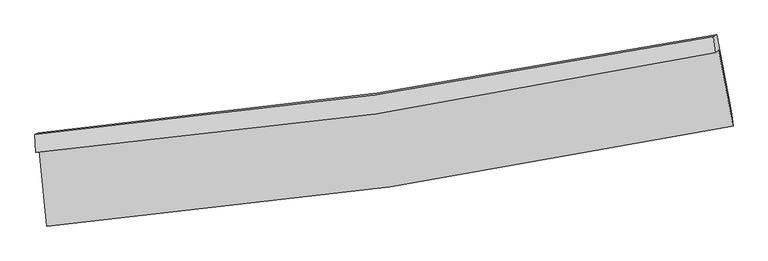
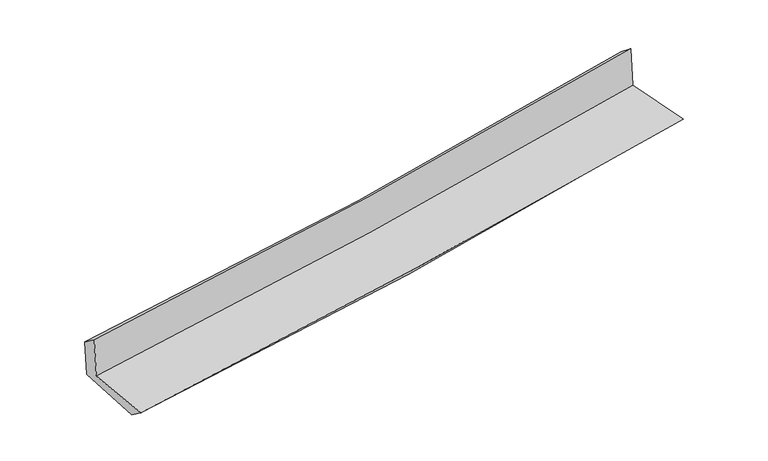
"""IFC4 building model written with IfcOpenShell, lengths in millimetres: proxy geometry."""

import ifcopenshell
import ifcopenshell.guid

model = None  # the IFC model being written
_history = None  # IfcOwnerHistory: only IFC2X3 demands one
_inside = {}  # id of a spatial element -> (the spatial element, [elements in it])
_under = {}  # id of a project, library or spatial element -> (it, [spatial elements below it])
_declared = {}  # id of a project -> (the project, [libraries it declares])
_typed = {}  # id of a type object -> (the type object, [elements of that type])
_made_of = {}  # id of a material, layer set ... -> (it, [elements and type objects made of it])


def new_model(schema):
    """Start an empty IFC model of exactly this schema.

    Asked for "IFC4X3", IfcOpenShell would pick the latest addendum, in which some entities
    have other attributes; the version numbers below select the first issue.
    IFC2X3 requires an IfcOwnerHistory on every rooted entity: one is made here for all.
    """
    global model, _history
    if schema == "IFC4X3":
        model = ifcopenshell.file(schema_version=(4, 3, 0, 0))
    else:
        model = ifcopenshell.file(schema=schema)
    _inside.clear()
    _under.clear()
    _declared.clear()
    _typed.clear()
    _made_of.clear()
    _history = None
    if model.schema == "IFC2X3":
        org = make("IfcOrganization", Name="unknown")
        user = make(
            "IfcPersonAndOrganization",
            ThePerson=make("IfcPerson", FamilyName="unknown"),
            TheOrganization=org,
        )
        app = make(
            "IfcApplication",
            ApplicationDeveloper=org,
            Version="unknown",
            ApplicationFullName="unknown",
            ApplicationIdentifier="unknown",
        )
        _history = make(
            "IfcOwnerHistory",
            OwningUser=user,
            OwningApplication=app,
            ChangeAction="ADDED",
            CreationDate=0,
        )
    return model


def make(cls, **values):
    """One entity of the class cls with the attributes given. An attribute that is None is left unset."""
    return model.create_entity(
        cls, **{name: value for name, value in values.items() if value is not None}
    )


def rooted(cls, **values):
    """An entity with a GlobalId (a new one), such as an element, a storey or a relation."""
    return make(cls, GlobalId=ifcopenshell.guid.new(), OwnerHistory=_history, **values)


def si_unit(unit_type, name, prefix=None):
    """IfcSIUnit, for example si_unit("LENGTHUNIT", "METRE", prefix="MILLI")."""
    return make("IfcSIUnit", UnitType=unit_type, Prefix=prefix, Name=name)


def assignment(units):
    """IfcUnitAssignment: the units of a project."""
    return None if units is None else make("IfcUnitAssignment", Units=units)


def point(xyz):
    """IfcCartesianPoint."""
    return None if xyz is None else make("IfcCartesianPoint", Coordinates=xyz)


def direction(xyz):
    """IfcDirection."""
    return None if xyz is None else make("IfcDirection", DirectionRatios=xyz)


def frame(location, z_axis=None, x_axis=None):
    """IfcAxis2Placement3D, a coordinate frame: its origin and axes. An axis left out is left unset."""
    return make(
        "IfcAxis2Placement3D",
        Location=point(location),
        Axis=direction(z_axis),
        RefDirection=direction(x_axis),
    )


def origin():
    """The frame at (0, 0, 0) with its axes left unset."""
    return frame((0.0, 0.0, 0.0))


def place(relative_to, where):
    """IfcLocalPlacement: puts the frame where relative to a parent placement (None: the world)."""
    return make(
        "IfcLocalPlacement", PlacementRelTo=relative_to, RelativePlacement=where
    )


def context(
    kind, dimensions, precision=None, world=None, true_north=None, identifier=None
):
    """IfcGeometricRepresentationContext, for example the 3D "Model" context."""
    return make(
        "IfcGeometricRepresentationContext",
        ContextIdentifier=identifier,
        ContextType=kind,
        CoordinateSpaceDimension=dimensions,
        Precision=precision,
        WorldCoordinateSystem=world,
        TrueNorth=true_north,
    )


def project(units=None, contexts=None):
    """IfcProject with its units and contexts."""
    return rooted(
        "IfcProject",
        Name="project",
        RepresentationContexts=contexts,
        UnitsInContext=assignment(units),
    )


def spatial(cls, under=None, at=None, **own):
    """A site, building, storey or space (cls), placed at a placement, below another one or the project."""
    s = rooted(cls, ObjectPlacement=at, **own)
    if under is not None:
        _under.setdefault(under.id(), (under, []))[1].append(s)
    return s


def shape(context_of_items, identifier, shape_type, items):
    """IfcShapeRepresentation: the items that make up one representation, for example the "Body"."""
    return make(
        "IfcShapeRepresentation",
        ContextOfItems=context_of_items,
        RepresentationIdentifier=identifier,
        RepresentationType=shape_type,
        Items=items,
    )


def source(mapping_origin, context_of_items, identifier, shape_type, items):
    """IfcRepresentationMap: a shape defined once, which mapped items show again and again."""
    return make(
        "IfcRepresentationMap",
        MappingOrigin=mapping_origin,
        MappedRepresentation=shape(context_of_items, identifier, shape_type, items),
    )


def transform(
    local_origin,
    x_axis=None,
    y_axis=None,
    z_axis=None,
    scale=None,
    scale2=None,
    scale3=None,
    uniform=True,
):
    """IfcCartesianTransformationOperator3D, or its non-uniform kind. x_axis, y_axis, z_axis: its Axis1, 2, 3."""
    if uniform:
        return make(
            "IfcCartesianTransformationOperator3D",
            Axis1=direction(x_axis),
            Axis2=direction(y_axis),
            LocalOrigin=point(local_origin),
            Scale=scale,
            Axis3=direction(z_axis),
        )
    return make(
        "IfcCartesianTransformationOperator3DnonUniform",
        Axis1=direction(x_axis),
        Axis2=direction(y_axis),
        LocalOrigin=point(local_origin),
        Scale=scale,
        Axis3=direction(z_axis),
        Scale2=scale2,
        Scale3=scale3,
    )


def mapped(mapping_source, mapping_target):
    """IfcMappedItem: shows the shape of a source again, moved by a transform."""
    return make(
        "IfcMappedItem", MappingSource=mapping_source, MappingTarget=mapping_target
    )


def made_of(thing, what):
    """Note that an element or type object is made of a material, layer set ...; save() writes the relation."""
    if what is not None:
        _made_of.setdefault(what.id(), (what, []))[1].append(thing)
    return thing


def element(
    cls,
    number,
    at=None,
    inside=None,
    cuts=None,
    type_object=None,
    material=None,
    context=None,
    identifier="Body",
    shape_type=None,
    held_by="IfcProductDefinitionShape",
    body=None,
    shapes=None,
    **own,
):
    """One element of the class cls, such as IfcWall. Its Tag is "e" and its number.

    at: its placement. inside: the storey or other place that contains it. cuts: it is an
    opening in that element (IfcRelVoidsElement). A single representation is given by context,
    identifier, shape_type and body (its items); several are given by shapes. held_by: the class
    of the entity that holds the representations. save() writes the other relations.
    """
    e = rooted(cls, Tag="e%d" % number, ObjectPlacement=at, **own)
    if body is not None:
        shapes = [shape(context, identifier, shape_type, body)]
    if shapes is not None:
        e.Representation = make(held_by, Representations=shapes)
    if inside is not None:
        _inside.setdefault(inside.id(), (inside, []))[1].append(e)
    if cuts is not None:
        rooted(
            "IfcRelVoidsElement", RelatingBuildingElement=cuts, RelatedOpeningElement=e
        )
    if type_object is not None:
        _typed.setdefault(type_object.id(), (type_object, []))[1].append(e)
    return made_of(e, material)


def aggregate(whole, parts):
    """IfcRelAggregates: a whole, such as a stair, and the parts it consists of."""
    return rooted("IfcRelAggregates", RelatingObject=whole, RelatedObjects=parts)


def save(model, path):
    """Write the relations noted so far, then the file.

    IfcRelAggregates (storeys below a building ...), IfcRelContainedInSpatialStructure (elements
    in a storey), IfcRelDefinesByType, IfcRelAssociatesMaterial and IfcRelDeclares: one each for
    every whole, place, type object, material and project.
    """
    for whole, parts in _under.values():
        aggregate(whole, parts)
    for where, things in _inside.values():
        rooted(
            "IfcRelContainedInSpatialStructure",
            RelatedElements=things,
            RelatingStructure=where,
        )
    for kind, things in _typed.values():
        rooted("IfcRelDefinesByType", RelatedObjects=things, RelatingType=kind)
    for what, things in _made_of.values():
        rooted("IfcRelAssociatesMaterial", RelatedObjects=things, RelatingMaterial=what)
    for by, libraries in _declared.values():
        rooted("IfcRelDeclares", RelatingContext=by, RelatedDefinitions=libraries)
    model.write(path)


def plane_surface(at):
    """IfcPlane: the flat surface through the origin of the frame at, square to its z axis."""
    return make("IfcPlane", Position=at)


def spline_curve(degree, points, multiplicities, knots, weights=None):
    """IfcBSplineCurveWithKnots; with weights, IfcRationalBSplineCurveWithKnots."""
    own = dict(
        Degree=degree,
        ControlPointsList=[point(p) for p in points],
        CurveForm="UNSPECIFIED",
        ClosedCurve=False,
        SelfIntersect=False,
        KnotMultiplicities=multiplicities,
        Knots=knots,
        KnotSpec="UNSPECIFIED",
    )
    if weights is None:
        return make("IfcBSplineCurveWithKnots", **own)
    return make("IfcRationalBSplineCurveWithKnots", WeightsData=weights, **own)


def spline_surface(u_degree, v_degree, points, u_multiplicities, v_multiplicities, u_knots, v_knots, weights=None):
    """IfcBSplineSurfaceWithKnots; with weights, IfcRationalBSplineSurfaceWithKnots. points: one row for each step in u."""
    own = dict(
        UDegree=u_degree,
        VDegree=v_degree,
        ControlPointsList=[[point(p) for p in row] for row in points],
        SurfaceForm="UNSPECIFIED",
        UClosed=False,
        VClosed=False,
        SelfIntersect=False,
        UMultiplicities=u_multiplicities,
        VMultiplicities=v_multiplicities,
        UKnots=u_knots,
        VKnots=v_knots,
        KnotSpec="UNSPECIFIED",
    )
    if weights is None:
        return make("IfcBSplineSurfaceWithKnots", **own)
    return make("IfcRationalBSplineSurfaceWithKnots", WeightsData=weights, **own)


def advanced_brep(points, edges, surfaces, faces):
    """IfcAdvancedBrep: a solid bounded by faces that lie on surfaces and meet in shared edges.

    An edge is (start, end): straight between two places in points (the first is 0);
    or (start, end, curve); or (start, end, curve, False) where it runs against its curve.
    A face is (place in surfaces, loops), or (place, loops, False) where it looks against
    its surface's normal. A loop lists edges by number (the first is 1), with a minus sign
    where the edge is run from its end to its start. The first loop is the outer one.
    """
    corners = [point(p) for p in points]
    vertices = [make("IfcVertexPoint", VertexGeometry=c) for c in corners]
    made = []
    for start, end, *more in edges:
        made.append(
            make(
                "IfcEdgeCurve",
                EdgeStart=vertices[start],
                EdgeEnd=vertices[end],
                EdgeGeometry=more[0] if more else make("IfcPolyline", Points=[corners[start], corners[end]]),
                SameSense=more[1] if len(more) > 1 else True,
            )
        )
    hull = []
    for where, loops, *sense in faces:
        bounds = []
        for j, loop in enumerate(loops):
            ring = [make("IfcOrientedEdge", EdgeElement=made[abs(k) - 1], Orientation=k > 0) for k in loop]
            bounds.append(
                make(
                    "IfcFaceOuterBound" if j == 0 else "IfcFaceBound",
                    Bound=make("IfcEdgeLoop", EdgeList=ring),
                    Orientation=True,
                )
            )
        hull.append(make("IfcAdvancedFace", Bounds=bounds, FaceSurface=surfaces[where], SameSense=sense[0] if sense else True))
    return make("IfcAdvancedBrep", Outer=make("IfcClosedShell", CfsFaces=hull))


def generic_models_a60420ee(model_context):
    return source(origin(), model_context, "Body", "AdvancedBrep", [
        advanced_brep(
        [(-2966.4956558, -1900.3925883, 1624.3529938), (-2900.6633697, -2558.4913205, 1611.1704796), (3045.5985498, -1687.7622356, 2119.0963674), (2921.2699029, -1033.3126246, 2127.4922066), (-2997.995413, -1919.1830634, 2030.036678), (2889.613648, -1052.1256982, 2536.8150814), (-3004.198505, -1765.273488, 1921.2857614), (2872.8501599, -914.772808, 2430.1121432), (-2975.6367698, -1749.8426546, 1555.3641286), (2903.3301616, -898.3056071, 2039.6144409), (-2906.1340559, -2414.8309813, 1505.7769763), (3031.3950635, -1560.2350456, 2004.2066983)],
        [
            (0, 1),
            (1, 2, spline_curve(3, [(-2900.6633697, -2558.4913205, 1611.1704796), (-1907.330568666, -2477.346646664, 1724.561145523), (-917.063153574, -2364.620249775, 1823.475223758), (1065.072355159, -2074.87383449, 1993.011492919), (2056.892246857, -1897.357203165, 2063.406044005), (3045.5985498, -1687.7622356, 2119.0963674)], [4, 2, 4], [0.0, 9.813157215592627, 19.703167946241045])),
            (2, 3),
            (3, 0, spline_curve(3, [(2921.2699029, -1033.3126246, 2127.4922066), (1943.447559733, -1243.438905959, 2072.664706533), (961.961220309, -1420.913687645, 2003.101892074), (-1000.684022402, -1709.434856177, 1835.160700098), (-1981.786202651, -1820.986728726, 1737.010443513), (-2966.4956558, -1900.3925883, 1624.3529938)], [4, 2, 4], [0.0, 9.890010730648418, 19.703167946241045])),
            (4, 0),
            (3, 5),
            (5, 4, spline_curve(3, [(2889.613648, -1052.1256982, 2536.8150814), (1912.540019543, -1261.775310258, 2471.977510728), (931.439720751, -1439.010788995, 2397.123547154), (-1031.158970819, -1727.528099475, 2228.042346299), (-2012.595025892, -1839.311742036, 2133.970175654), (-2997.995413, -1919.1830634, 2030.036678)], [4, 2, 4], [0.0, 9.841673756788015, 19.60686961655034])),
            (6, 4),
            (5, 7),
            (7, 6, spline_curve(3, [(2872.8501599, -914.772808, 2430.1121432), (1897.430728146, -1109.162463028, 2344.870786519), (918.041213469, -1277.40721647, 2259.682724347), (-1041.036470261, -1560.502686848, 2090.074755399), (-2020.663176931, -1675.758160313, 2005.654023838), (-3004.198505, -1765.273488, 1921.2857614)], [4, 2, 4], [0.0, 9.829816610518291, 19.58324746378649])),
            (8, 6),
            (7, 9),
            (9, 8, spline_curve(3, [(2903.3301616, -898.3056071, 2039.6144409), (1927.474938988, -1092.930703511, 1959.956263951), (947.707273563, -1261.379757434, 1879.612916513), (-1012.008939729, -1544.820201889, 1718.185538496), (-1991.896917939, -1660.216830366, 1637.112115234), (-2975.6367698, -1749.8426546, 1555.3641286)], [4, 2, 4], [0.0, 9.81911645458668, 19.561930300932644])),
            (10, 8),
            (9, 11),
            (11, 10, spline_curve(3, [(3031.3950635, -1560.2350456, 2004.2066983), (2045.853220582, -1760.76775206, 1918.528016525), (1056.342809062, -1932.415989081, 1833.9953046), (-922.895002736, -2216.834133061, 1667.869805143), (-1912.560964141, -2330.051207998, 1586.259276285), (-2906.1340559, -2414.8309813, 1505.7769763)], [4, 2, 4], [0.0, 9.868374927828105, 19.660064468577534])),
            (1, 10),
            (11, 2),
        ],
        [
            spline_surface(3, 3, [[(-2966.4956558, -1900.3925883, 1624.3529938), (-1981.78620271, -1820.986728814, 1737.010443555), (-1000.684022467, -1709.434856047, 1835.160700007), (961.961220375, -1420.913687776, 2003.101892166), (1943.447559692, -1243.438906014, 2072.66470663), (2921.2699029, -1033.3126246, 2127.4922066)], [(-2944.551560435, -2119.758832349, 1619.958822407), (-1956.96765799, -2039.773368102, 1732.860677513), (-972.810399497, -1927.829987301, 1831.265541255), (996.33159866, -1638.900403363, 1999.738425772), (1981.262455376, -1461.411671734, 2069.578485728), (2962.712785213, -1251.462494942, 2124.693593551)], [(-2922.607465065, -2339.125076451, 1615.564650993), (-1932.149113265, -2258.560007443, 1728.71091145), (-944.936776571, -2146.225118514, 1827.370382474), (1030.701976901, -1856.88711891, 1996.37495935), (2019.077351021, -1679.384437426, 2066.492264773), (3004.155667487, -1469.612365258, 2121.894980449)], [(-2900.6633697, -2558.4913205, 1611.1704796), (-1907.330568545, -2477.346646731, 1724.561145408), (-917.063153601, -2364.620249768, 1823.475223721), (1065.072355186, -2074.873834498, 1993.011492956), (2056.892246705, -1897.357203146, 2063.406043871), (3045.5985498, -1687.7622356, 2119.0963674)]], [4, 4], [4, 2, 4], [0.0, 2.169598157191223], [0.0, 9.813157215592627, 19.703167946241045]),
            spline_surface(3, 3, [[(-2997.995413, -1919.1830634, 2030.036678), (-2012.595025731, -1839.311742167, 2133.970175506), (-1031.158970824, -1727.528099314, 2228.042346299), (931.439720756, -1439.010789157, 2397.123547154), (1912.54001954, -1261.775310292, 2471.977510795), (2889.613648, -1052.1256982, 2536.8150814)], [(-2987.495493939, -1912.919571706, 1894.80878326), (-2002.325418063, -1833.203404388, 2001.650264849), (-1021.000654712, -1721.497018238, 2097.081797516), (941.613553955, -1432.978422043, 2265.782995472), (1922.842532934, -1255.663175527, 2338.873242726), (2900.165732976, -1045.854673661, 2400.374123119)], [(-2976.995574861, -1906.656079994, 1759.58088854), (-1992.055810378, -1827.095066592, 1869.330354212), (-1010.842338578, -1715.465937123, 1966.121248791), (951.787387176, -1426.94605489, 2134.442443848), (1933.145046298, -1249.551040779, 2205.768974699), (2910.717817924, -1039.583649139, 2263.933164881)], [(-2966.4956558, -1900.3925883, 1624.3529938), (-1981.78620271, -1820.986728814, 1737.010443555), (-1000.684022467, -1709.434856047, 1835.160700007), (961.961220375, -1420.913687776, 2003.101892166), (1943.447559692, -1243.438906014, 2072.66470663), (2921.2699029, -1033.3126246, 2127.4922066)]], [4, 4], [4, 2, 4], [0.0, 1.2960997709780904], [0.0, 9.765195859762326, 19.60686961655034]),
            spline_surface(3, 3, [[(-3004.198505, -1765.273488, 1921.2857614), (-2020.663176918, -1675.758160325, 2005.654023844), (-1041.036470162, -1560.502687006, 2090.074755429), (918.041213368, -1277.407216311, 2259.682724318), (1897.430728223, -1109.162462995, 2344.87078663), (2872.8501599, -914.772808, 2430.1121432)], [(-3002.130807667, -1816.576679804, 1957.536066941), (-2017.973793189, -1730.276020943, 2048.426074406), (-1037.743970392, -1616.177824429, 2136.063952389), (922.507382488, -1331.275073914, 2305.496331934), (1902.467158638, -1160.033412106, 2387.239694691), (2878.437989242, -960.557104745, 2465.679789273)], [(-3000.063110333, -1867.879871596, 1993.786372459), (-2015.284409459, -1784.793881549, 2091.198124943), (-1034.451470593, -1671.852961891, 2182.053149338), (926.973551636, -1385.142931554, 2351.309939538), (1907.503589125, -1210.904361181, 2429.608602734), (2884.025818658, -1006.341401455, 2501.247435327)], [(-2997.995413, -1919.1830634, 2030.036678), (-2012.595025731, -1839.311742167, 2133.970175506), (-1031.158970824, -1727.528099314, 2228.042346299), (931.439720756, -1439.010789157, 2397.123547154), (1912.54001954, -1261.775310292, 2471.977510795), (2889.613648, -1052.1256982, 2536.8150814)]], [4, 4], [4, 2, 4], [0.0, 0.7043477279343163], [0.0, 9.753430853268197, 19.58324746378649]),
            spline_surface(3, 3, [[(-2975.6367698, -1749.8426546, 1555.3641286), (-1991.896918073, -1660.216830478, 1637.112115204), (-1012.00893975, -1544.820201852, 1718.185538471), (947.707273584, -1261.379757471, 1879.612916538), (1927.474939074, -1092.930703535, 1959.956264045), (2903.3301616, -898.3056071, 2039.6144409)], [(-2985.157348186, -1754.986265753, 1677.338006196), (-2001.485671007, -1665.39727378, 1759.95941808), (-1021.684783223, -1550.047696903, 1842.148610811), (937.818586843, -1266.722243751, 2006.302852485), (1917.460202155, -1098.341289994, 2088.261104925), (2893.170161065, -903.794674039, 2169.780341685)], [(-2994.677926614, -1760.129876847, 1799.311883804), (-2011.074423984, -1670.577717023, 1882.806720967), (-1031.360626689, -1555.275191955, 1966.111683089), (927.929900109, -1272.064730031, 2132.99278837), (1907.445465141, -1103.751876535, 2216.56594575), (2883.010160435, -909.283741061, 2299.946242415)], [(-3004.198505, -1765.273488, 1921.2857614), (-2020.663176918, -1675.758160325, 2005.654023844), (-1041.036470162, -1560.502687006, 2090.074755429), (918.041213368, -1277.407216311, 2259.682724318), (1897.430728223, -1109.162462995, 2344.87078663), (2872.8501599, -914.772808, 2430.1121432)]], [4, 4], [4, 2, 4], [0.0, 1.2384786793411209], [0.0, 9.742813846345964, 19.561930300932644]),
            spline_surface(3, 3, [[(-2906.1340559, -2414.8309813, 1505.7769763), (-1912.560964227, -2330.051207844, 1586.259276151), (-922.895002621, -2216.834133039, 1667.86980506), (1056.342808946, -1932.415989103, 1833.995304684), (2045.853220477, -1760.767751964, 1918.528016406), (3031.3950635, -1560.2350456, 2004.2066983)], [(-2929.301627209, -2193.168205729, 1522.30602707), (-1939.006282185, -2106.773082051, 1603.210222506), (-952.599648315, -1992.829489299, 1684.641716188), (1020.130963841, -1708.737245215, 1849.201175293), (2006.393793329, -1538.155402493, 1932.337432267), (2988.706762853, -1339.591899438, 2016.009279149)], [(-2952.469198491, -1971.505430171, 1538.83507783), (-1965.451600116, -1883.494956271, 1620.161168849), (-982.304294056, -1768.824845592, 1701.413627342), (983.919118689, -1485.058501359, 1864.407045929), (1966.934366221, -1315.543053006, 1946.146848183), (2946.018462247, -1118.948753262, 2027.811860051)], [(-2975.6367698, -1749.8426546, 1555.3641286), (-1991.896918073, -1660.216830478, 1637.112115204), (-1012.00893975, -1544.820201852, 1718.185538471), (947.707273584, -1261.379757471, 1879.612916538), (1927.474939074, -1092.930703535, 1959.956264045), (2903.3301616, -898.3056071, 2039.6144409)]], [4, 4], [4, 2, 4], [0.0, 2.232492728713953], [0.0, 9.791689540749429, 19.660064468577534]),
            spline_surface(3, 3, [[(-2900.6633697, -2558.4913205, 1611.1704796), (-1907.330568545, -2477.346646731, 1724.561145408), (-917.063153601, -2364.620249768, 1823.475223721), (1065.072355186, -2074.873834498, 1993.011492956), (2056.892246705, -1897.357203146, 2063.406043871), (3045.5985498, -1687.7622356, 2119.0963674)], [(-2902.486931764, -2510.60454076, 1576.039311825), (-1909.07403377, -2428.248167095, 1678.460522314), (-919.007103286, -2315.358210855, 1771.606750828), (1062.162506428, -2027.38788603, 1940.006096859), (2053.212571278, -1851.827386092, 2015.11336804), (3040.864054349, -1645.253172274, 2080.799811024)], [(-2904.310493836, -2462.71776104, 1540.908144075), (-1910.817499003, -2379.14968748, 1632.359899245), (-920.951052936, -2266.096171951, 1719.738277953), (1059.252657704, -1979.90193757, 1887.000700781), (2049.532895904, -1806.297569018, 1966.820692237), (3036.129558951, -1602.744108926, 2042.503254676)], [(-2906.1340559, -2414.8309813, 1505.7769763), (-1912.560964227, -2330.051207844, 1586.259276151), (-922.895002621, -2216.834133039, 1667.86980506), (1056.342808946, -1932.415989103, 1833.995304684), (2045.853220477, -1760.767751964, 1918.528016406), (3031.3950635, -1560.2350456, 2004.2066983)]], [4, 4], [4, 2, 4], [0.0, 0.702575898558095], [0.0, 9.850062110580994, 19.777266763575675]),
            plane_surface(frame((2944.009581, -1191.0856699, 2209.5561563), z_axis=(0.9791358962218482, 0.18493021690460565, 0.08422417470924845), x_axis=(-0.07774886914325889, -0.042004795740534534, 0.9960877022038473))),
            plane_surface(frame((-2958.5206282, -2051.3356827, 1707.9978362), z_axis=(-0.9918812257052034, -0.09758864177883037, -0.08153582702902078), x_axis=(-0.09951750543230836, 0.9948362427714181, 0.019927774109981092))),
        ],
        [
            (0, [[1, 2, 3, 4]]),
            (1, [[5, -4, 6, 7]]),
            (2, [[8, -7, 9, 10]]),
            (3, [[11, -10, 12, 13]]),
            (4, [[14, -13, 15, 16]]),
            (5, [[17, -16, 18, -2]]),
            (6, [[-12, -9, -6, -3, -18, -15]]),
            (7, [[-1, -5, -8, -11, -14, -17]]),
        ],
    ),
    ])


if __name__ == "__main__":
    model = new_model("IFC4")
    model_context = context("Model", 3, world=origin())
    ifc_project = project(units=[si_unit("LENGTHUNIT", "METRE", prefix="MILLI")], contexts=[model_context])
    site = spatial("IfcSite", under=ifc_project)
    building = spatial("IfcBuilding", under=site)
    placement = place(None, origin())
    generic_models_shape = generic_models_a60420ee(model_context)
    element("IfcBuildingElementProxy", 1, Name="Generic Models", at=placement, inside=building, context=model_context, shape_type="MappedRepresentation", body=[
        mapped(generic_models_shape, transform((0.0, 0.0, 0.0), x_axis=(1.0, 0.0, 0.0), y_axis=(0.0, 1.0, 0.0), z_axis=(0.0, 0.0, 1.0))),
    ])
    save(model, "model.ifc")
